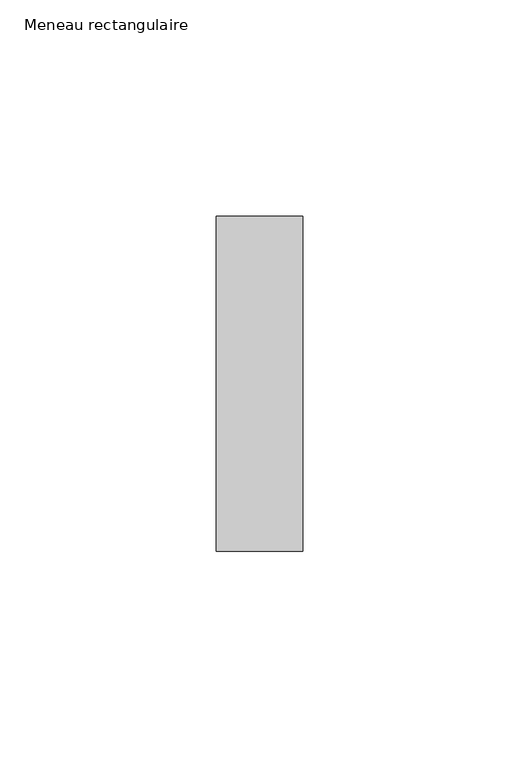
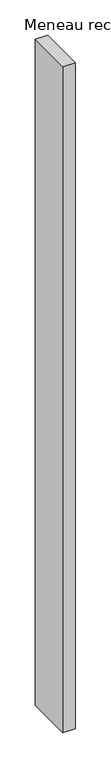
"""IFC4 building model written with IfcOpenShell, lengths in millimetres: member geometry, Meneau rectangulaire."""

from ifc_helpers import new_model, si_unit, frame, origin, place, context, project, spatial, polyline, outline, extrude, source, transform, mapped, element, save


def meneau_rectangulaire_74dd580c(model_context):
    return source(origin(), model_context, "Body", "SweptSolid", [
        extrude(outline(polyline([(0.0, 38.75), (0.0, -38.75), (-20.0, -38.75), (-20.0, 38.75), (0.0, 38.75)])), frame((0.0, 0.0, -1147.5357145), z_axis=(0.0, 0.0, 1.0), x_axis=(1.0, 0.0, 0.0)), (0.0, 0.0, 1.0), 1147.5357145),
    ])


if __name__ == "__main__":
    model = new_model("IFC4")
    model_context = context("Model", 3, world=origin())
    ifc_project = project(units=[si_unit("LENGTHUNIT", "METRE", prefix="MILLI")], contexts=[model_context])
    site = spatial("IfcSite", under=ifc_project)
    building = spatial("IfcBuilding", under=site)
    placement = place(None, origin())
    meneau_rectangulaire_shape = meneau_rectangulaire_74dd580c(model_context)
    element("IfcMember", 1, ObjectType="Meneau rectangulaire", at=placement, inside=building, context=model_context, shape_type="MappedRepresentation", body=[
        mapped(meneau_rectangulaire_shape, transform((0.0, 0.0, 0.0), x_axis=(1.0, 0.0, 0.0), y_axis=(0.0, 1.0, 0.0), z_axis=(0.0, 0.0, 1.0))),
    ])
    save(model, "model.ifc")
